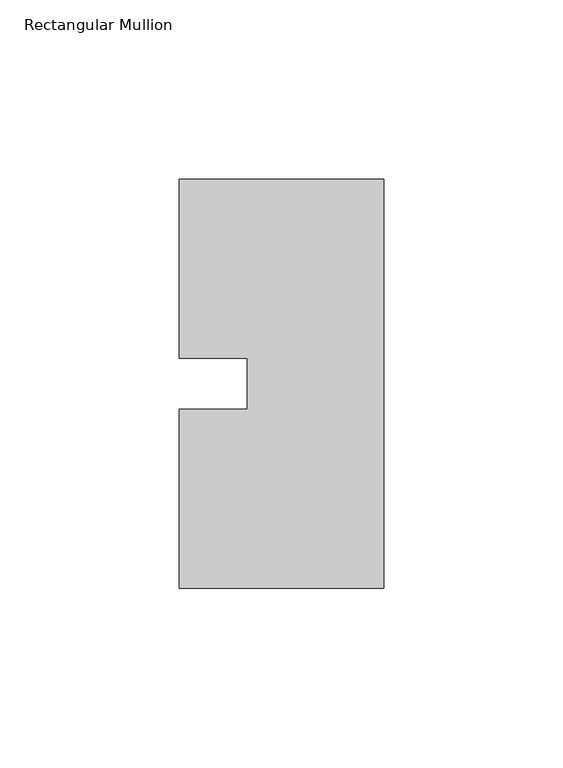
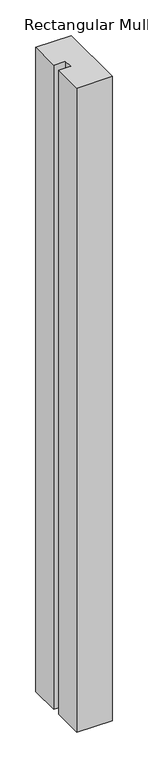
"""IFC4 building model written with IfcOpenShell, lengths in millimetres: member geometry, Rectangular Mullion."""

from ifc_helpers import new_model, si_unit, frame, origin, place, context, project, spatial, polyline, outline, extrude, source, transform, mapped, element, save


def rectangular_mullion_39dc36f9(model_context):
    return source(origin(), model_context, "Body", "SweptSolid", [
        extrude(outline(polyline([(-57.15, 57.15), (0.0, 57.15), (0.0, -57.15), (-57.15, -57.15), (-57.15, -7.14375), (-38.1, -7.14375), (-38.1, 7.14375), (-57.15, 7.14375), (-57.15, 57.15)])), frame((0.0, 0.0, -1099.7094027), z_axis=(0.0, 0.0, 1.0), x_axis=(1.0, 0.0, 0.0)), (0.0, 0.0, 1.0), 1099.7094027),
    ])


if __name__ == "__main__":
    model = new_model("IFC4")
    model_context = context("Model", 3, world=origin())
    ifc_project = project(units=[si_unit("LENGTHUNIT", "METRE", prefix="MILLI")], contexts=[model_context])
    site = spatial("IfcSite", under=ifc_project)
    building = spatial("IfcBuilding", under=site)
    placement = place(None, origin())
    rectangular_mullion_shape = rectangular_mullion_39dc36f9(model_context)
    element("IfcMember", 1, ObjectType="Rectangular Mullion", at=placement, inside=building, context=model_context, shape_type="MappedRepresentation", body=[
        mapped(rectangular_mullion_shape, transform((0.0, 0.0, 0.0), x_axis=(1.0, 0.0, 0.0), y_axis=(0.0, 1.0, 0.0), z_axis=(0.0, 0.0, 1.0))),
    ])
    save(model, "model.ifc")
